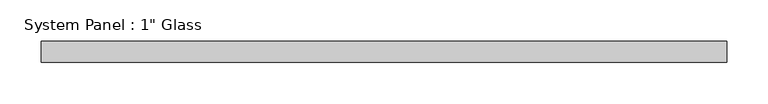
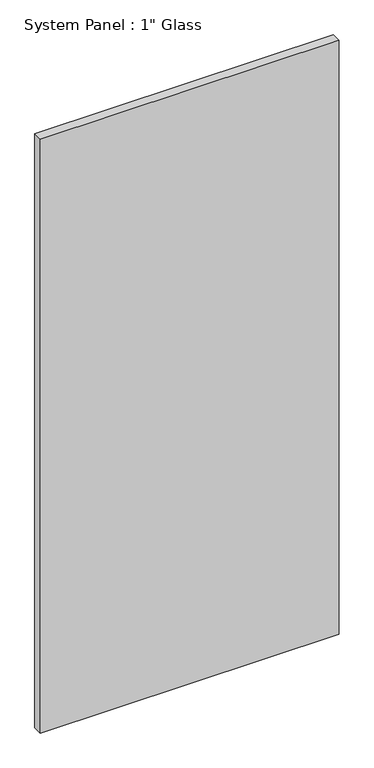
"""IFC4 building model written with IfcOpenShell, lengths in millimetres: plate geometry."""

import ifcopenshell
import ifcopenshell.guid

model = None  # the IFC model being written
_history = None  # IfcOwnerHistory: only IFC2X3 demands one
_inside = {}  # id of a spatial element -> (the spatial element, [elements in it])
_under = {}  # id of a project, library or spatial element -> (it, [spatial elements below it])
_declared = {}  # id of a project -> (the project, [libraries it declares])
_typed = {}  # id of a type object -> (the type object, [elements of that type])
_made_of = {}  # id of a material, layer set ... -> (it, [elements and type objects made of it])


def new_model(schema):
    """Start an empty IFC model of exactly this schema.

    Asked for "IFC4X3", IfcOpenShell would pick the latest addendum, in which some entities
    have other attributes; the version numbers below select the first issue.
    IFC2X3 requires an IfcOwnerHistory on every rooted entity: one is made here for all.
    """
    global model, _history
    if schema == "IFC4X3":
        model = ifcopenshell.file(schema_version=(4, 3, 0, 0))
    else:
        model = ifcopenshell.file(schema=schema)
    _inside.clear()
    _under.clear()
    _declared.clear()
    _typed.clear()
    _made_of.clear()
    _history = None
    if model.schema == "IFC2X3":
        org = make("IfcOrganization", Name="unknown")
        user = make(
            "IfcPersonAndOrganization",
            ThePerson=make("IfcPerson", FamilyName="unknown"),
            TheOrganization=org,
        )
        app = make(
            "IfcApplication",
            ApplicationDeveloper=org,
            Version="unknown",
            ApplicationFullName="unknown",
            ApplicationIdentifier="unknown",
        )
        _history = make(
            "IfcOwnerHistory",
            OwningUser=user,
            OwningApplication=app,
            ChangeAction="ADDED",
            CreationDate=0,
        )
    return model


def make(cls, **values):
    """One entity of the class cls with the attributes given. An attribute that is None is left unset."""
    return model.create_entity(
        cls, **{name: value for name, value in values.items() if value is not None}
    )


def rooted(cls, **values):
    """An entity with a GlobalId (a new one), such as an element, a storey or a relation."""
    return make(cls, GlobalId=ifcopenshell.guid.new(), OwnerHistory=_history, **values)


def si_unit(unit_type, name, prefix=None):
    """IfcSIUnit, for example si_unit("LENGTHUNIT", "METRE", prefix="MILLI")."""
    return make("IfcSIUnit", UnitType=unit_type, Prefix=prefix, Name=name)


def assignment(units):
    """IfcUnitAssignment: the units of a project."""
    return None if units is None else make("IfcUnitAssignment", Units=units)


def point(xyz):
    """IfcCartesianPoint."""
    return None if xyz is None else make("IfcCartesianPoint", Coordinates=xyz)


def direction(xyz):
    """IfcDirection."""
    return None if xyz is None else make("IfcDirection", DirectionRatios=xyz)


def frame(location, z_axis=None, x_axis=None):
    """IfcAxis2Placement3D, a coordinate frame: its origin and axes. An axis left out is left unset."""
    return make(
        "IfcAxis2Placement3D",
        Location=point(location),
        Axis=direction(z_axis),
        RefDirection=direction(x_axis),
    )


def origin():
    """The frame at (0, 0, 0) with its axes left unset."""
    return frame((0.0, 0.0, 0.0))


def origin_with_axes():
    """The frame at (0, 0, 0) with the z axis (0, 0, 1) and the x axis (1, 0, 0) written out."""
    return frame((0.0, 0.0, 0.0), z_axis=(0.0, 0.0, 1.0), x_axis=(1.0, 0.0, 0.0))


def place(relative_to, where):
    """IfcLocalPlacement: puts the frame where relative to a parent placement (None: the world)."""
    return make(
        "IfcLocalPlacement", PlacementRelTo=relative_to, RelativePlacement=where
    )


def context(
    kind, dimensions, precision=None, world=None, true_north=None, identifier=None
):
    """IfcGeometricRepresentationContext, for example the 3D "Model" context."""
    return make(
        "IfcGeometricRepresentationContext",
        ContextIdentifier=identifier,
        ContextType=kind,
        CoordinateSpaceDimension=dimensions,
        Precision=precision,
        WorldCoordinateSystem=world,
        TrueNorth=true_north,
    )


def project(units=None, contexts=None):
    """IfcProject with its units and contexts."""
    return rooted(
        "IfcProject",
        Name="project",
        RepresentationContexts=contexts,
        UnitsInContext=assignment(units),
    )


def spatial(cls, under=None, at=None, **own):
    """A site, building, storey or space (cls), placed at a placement, below another one or the project."""
    s = rooted(cls, ObjectPlacement=at, **own)
    if under is not None:
        _under.setdefault(under.id(), (under, []))[1].append(s)
    return s


def polyline(points):
    """IfcPolyline through the points."""
    return make("IfcPolyline", Points=[point(p) for p in points])


def outline(outer, holes=None, kind="AREA"):
    """IfcArbitraryClosedProfileDef: a profile drawn as a closed curve; with holes, ...WithVoids."""
    if holes is None:
        return make("IfcArbitraryClosedProfileDef", ProfileType=kind, OuterCurve=outer)
    return make(
        "IfcArbitraryProfileDefWithVoids",
        ProfileType=kind,
        OuterCurve=outer,
        InnerCurves=holes,
    )


def extrude(swept, where, along, depth):
    """IfcExtrudedAreaSolid: the profile swept, set in the frame where, extruded along a direction by depth."""
    return make(
        "IfcExtrudedAreaSolid",
        SweptArea=swept,
        Position=where,
        ExtrudedDirection=direction(along),
        Depth=depth,
    )


def shape(context_of_items, identifier, shape_type, items):
    """IfcShapeRepresentation: the items that make up one representation, for example the "Body"."""
    return make(
        "IfcShapeRepresentation",
        ContextOfItems=context_of_items,
        RepresentationIdentifier=identifier,
        RepresentationType=shape_type,
        Items=items,
    )


def source(mapping_origin, context_of_items, identifier, shape_type, items):
    """IfcRepresentationMap: a shape defined once, which mapped items show again and again."""
    return make(
        "IfcRepresentationMap",
        MappingOrigin=mapping_origin,
        MappedRepresentation=shape(context_of_items, identifier, shape_type, items),
    )


def transform(
    local_origin,
    x_axis=None,
    y_axis=None,
    z_axis=None,
    scale=None,
    scale2=None,
    scale3=None,
    uniform=True,
):
    """IfcCartesianTransformationOperator3D, or its non-uniform kind. x_axis, y_axis, z_axis: its Axis1, 2, 3."""
    if uniform:
        return make(
            "IfcCartesianTransformationOperator3D",
            Axis1=direction(x_axis),
            Axis2=direction(y_axis),
            LocalOrigin=point(local_origin),
            Scale=scale,
            Axis3=direction(z_axis),
        )
    return make(
        "IfcCartesianTransformationOperator3DnonUniform",
        Axis1=direction(x_axis),
        Axis2=direction(y_axis),
        LocalOrigin=point(local_origin),
        Scale=scale,
        Axis3=direction(z_axis),
        Scale2=scale2,
        Scale3=scale3,
    )


def mapped(mapping_source, mapping_target):
    """IfcMappedItem: shows the shape of a source again, moved by a transform."""
    return make(
        "IfcMappedItem", MappingSource=mapping_source, MappingTarget=mapping_target
    )


def made_of(thing, what):
    """Note that an element or type object is made of a material, layer set ...; save() writes the relation."""
    if what is not None:
        _made_of.setdefault(what.id(), (what, []))[1].append(thing)
    return thing


def element(
    cls,
    number,
    at=None,
    inside=None,
    cuts=None,
    type_object=None,
    material=None,
    context=None,
    identifier="Body",
    shape_type=None,
    held_by="IfcProductDefinitionShape",
    body=None,
    shapes=None,
    **own,
):
    """One element of the class cls, such as IfcWall. Its Tag is "e" and its number.

    at: its placement. inside: the storey or other place that contains it. cuts: it is an
    opening in that element (IfcRelVoidsElement). A single representation is given by context,
    identifier, shape_type and body (its items); several are given by shapes. held_by: the class
    of the entity that holds the representations. save() writes the other relations.
    """
    e = rooted(cls, Tag="e%d" % number, ObjectPlacement=at, **own)
    if body is not None:
        shapes = [shape(context, identifier, shape_type, body)]
    if shapes is not None:
        e.Representation = make(held_by, Representations=shapes)
    if inside is not None:
        _inside.setdefault(inside.id(), (inside, []))[1].append(e)
    if cuts is not None:
        rooted(
            "IfcRelVoidsElement", RelatingBuildingElement=cuts, RelatedOpeningElement=e
        )
    if type_object is not None:
        _typed.setdefault(type_object.id(), (type_object, []))[1].append(e)
    return made_of(e, material)


def aggregate(whole, parts):
    """IfcRelAggregates: a whole, such as a stair, and the parts it consists of."""
    return rooted("IfcRelAggregates", RelatingObject=whole, RelatedObjects=parts)


def save(model, path):
    """Write the relations noted so far, then the file.

    IfcRelAggregates (storeys below a building ...), IfcRelContainedInSpatialStructure (elements
    in a storey), IfcRelDefinesByType, IfcRelAssociatesMaterial and IfcRelDeclares: one each for
    every whole, place, type object, material and project.
    """
    for whole, parts in _under.values():
        aggregate(whole, parts)
    for where, things in _inside.values():
        rooted(
            "IfcRelContainedInSpatialStructure",
            RelatedElements=things,
            RelatingStructure=where,
        )
    for kind, things in _typed.values():
        rooted("IfcRelDefinesByType", RelatedObjects=things, RelatingType=kind)
    for what, things in _made_of.values():
        rooted("IfcRelAssociatesMaterial", RelatedObjects=things, RelatingMaterial=what)
    for by, libraries in _declared.values():
        rooted("IfcRelDeclares", RelatingContext=by, RelatedDefinitions=libraries)
    model.write(path)


def plate_c97200c3(model_context):
    return source(origin(), model_context, "Body", "SweptSolid", [
        extrude(outline(polyline([(414.3375, -12.7), (-414.3375, -12.7), (-414.3375, 12.7), (414.3375, 12.7), (414.3375, -12.7)])), origin_with_axes(), (0.0, 0.0, 1.0), 1739.9),
    ])


if __name__ == "__main__":
    model = new_model("IFC4")
    model_context = context("Model", 3, world=origin())
    ifc_project = project(units=[si_unit("LENGTHUNIT", "METRE", prefix="MILLI")], contexts=[model_context])
    site = spatial("IfcSite", under=ifc_project)
    building = spatial("IfcBuilding", under=site)
    placement = place(None, origin())
    plate_shape = plate_c97200c3(model_context)
    element("IfcPlate", 1, ObjectType="System Panel : 1\" Glass", at=placement, inside=building, context=model_context, shape_type="MappedRepresentation", body=[
        mapped(plate_shape, transform((0.0, 0.0, 0.0), x_axis=(1.0, 0.0, 0.0), y_axis=(0.0, 1.0, 0.0), z_axis=(0.0, 0.0, 1.0))),
    ])
    save(model, "model.ifc")
